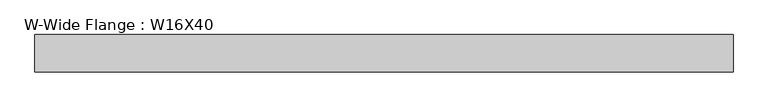
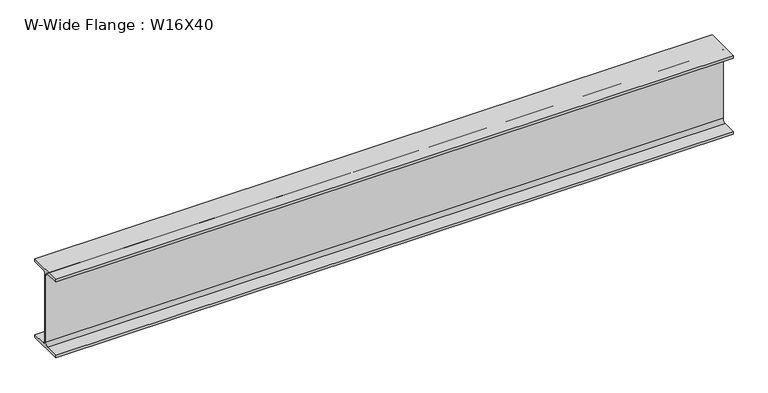
"""IFC4 building model written with IfcOpenShell, lengths in millimetres: beam geometry, W-Wide Flange : W16X40."""

from ifc_helpers import new_model, si_unit, point, frame, frame_2d, origin, place, context, project, spatial, polyline, circle_curve, trimmed, segment, composite_curve, outline, extrude, source, transform, mapped, element, save


def w_wide_flange_w16x40_28416023(model_context):
    return source(origin(), model_context, "Body", "SweptSolid", [
        extrude(outline(composite_curve([segment(polyline([(-88.9, -190.4), (-21.25, -190.4)]), True, "CONTINUOUS"), segment(trimmed(circle_curve(frame_2d((-21.25, -173.0)), 17.4), [point((-21.25, -190.4))], [point((-3.85, -173.0))], True, "CARTESIAN"), True, "CONTINUOUS"), segment(polyline([(-3.85, -173.0), (-3.85, 173.0)]), True, "CONTINUOUS"), segment(trimmed(circle_curve(frame_2d((-21.25, 173.0)), 17.4), [point((-3.85, 173.0))], [point((-21.25, 190.4))], True, "CARTESIAN"), True, "CONTINUOUS"), segment(polyline([(-21.25, 190.4), (-88.9, 190.4), (-88.9, 203.2), (88.9, 203.2), (88.9, 190.4), (21.25, 190.4)]), True, "CONTINUOUS"), segment(trimmed(circle_curve(frame_2d((21.25, 173.0)), 17.4), [point((21.25, 190.4))], [point((3.85, 173.0))], True, "CARTESIAN"), True, "CONTINUOUS"), segment(polyline([(3.85, 173.0), (3.85, -173.0)]), True, "CONTINUOUS"), segment(trimmed(circle_curve(frame_2d((21.25, -173.0)), 17.4), [point((3.85, -173.0))], [point((21.25, -190.4))], True, "CARTESIAN"), True, "CONTINUOUS"), segment(polyline([(21.25, -190.4), (88.9, -190.4), (88.9, -203.2), (-88.9, -203.2), (-88.9, -190.4)]), True, "CONTINUOUS")], self_intersect=False)), frame((-443.266383, 0.0, 0.0), z_axis=(1.0, 0.0, 0.0), x_axis=(0.0, 1.0, 0.0)), (0.0, 0.0, 1.0), 3322.949751),
    ])


if __name__ == "__main__":
    model = new_model("IFC4")
    model_context = context("Model", 3, world=origin())
    ifc_project = project(units=[si_unit("LENGTHUNIT", "METRE", prefix="MILLI")], contexts=[model_context])
    site = spatial("IfcSite", under=ifc_project)
    building = spatial("IfcBuilding", under=site)
    placement = place(None, origin())
    w_wide_flange_w16x40_shape = w_wide_flange_w16x40_28416023(model_context)
    element("IfcBeam", 1, ObjectType="W-Wide Flange : W16X40", at=placement, inside=building, context=model_context, shape_type="MappedRepresentation", body=[
        mapped(w_wide_flange_w16x40_shape, transform((0.0, 0.0, 0.0), x_axis=(1.0, 0.0, 0.0), y_axis=(0.0, 1.0, 0.0), z_axis=(0.0, 0.0, 1.0))),
    ])
    save(model, "model.ifc")
